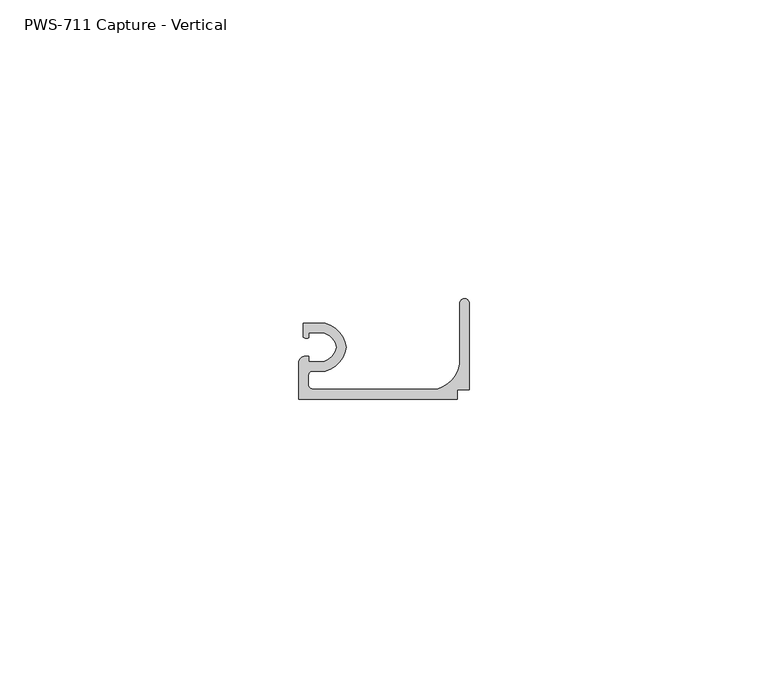
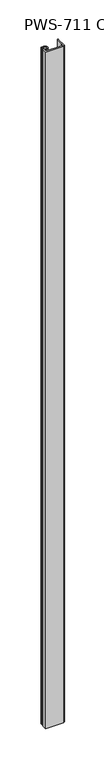
"""IFC4 building model written with IfcOpenShell, lengths in millimetres: proxy geometry, PWS-711 Capture - Vertical."""

from ifc_helpers import new_model, si_unit, point, frame_2d, origin, origin_with_axes, place, context, project, spatial, polyline, circle_curve, trimmed, segment, composite_curve, outline, extrude, source, transform, mapped, element, save


def pws_711_capture_vertical_3d673ead(model_context):
    return source(origin(), model_context, "Body", "SweptSolid", [
        extrude(outline(composite_curve([segment(trimmed(circle_curve(frame_2d((3.2089841, -42.7315673)), 3.2037832), [point((6.35, -42.1005))], [point((4.207924, -39.6875))], True, "CARTESIAN"), True, "CONTINUOUS"), segment(polyline([(4.207924, -39.6875), (1.6997088, -39.6875), (1.6997088, -40.5340531)]), True, "CONTINUOUS"), segment(trimmed(circle_curve(frame_2d((1.3351034, -39.4755121)), 1.1195742), [point((1.6997088, -40.5340531))], [point((0.762, -40.4372806))], False, "CARTESIAN"), True, "CONTINUOUS"), segment(polyline([(0.762, -40.4372806), (0.762, -38.1), (4.4357599, -38.1)]), True, "CONTINUOUS"), segment(trimmed(circle_curve(frame_2d((3.2089841, -42.7315673)), 4.7912832), [point((4.4357599, -38.1))], [point((7.9585261, -42.1005))], False, "CARTESIAN"), True, "CONTINUOUS"), segment(trimmed(circle_curve(frame_2d((3.2089841, -41.4694327)), 4.7912832), [point((7.9585261, -42.1005))], [point((4.4357599, -46.101))], False, "CARTESIAN"), True, "CONTINUOUS"), segment(polyline([(4.4357599, -46.101), (2.38252, -46.101)]), True, "CONTINUOUS"), segment(trimmed(circle_curve(frame_2d((2.38252, -46.89602)), 0.79502), [point((2.38252, -46.101))], [point((1.5875, -46.89602))], True, "CARTESIAN"), True, "CONTINUOUS"), segment(polyline([(1.5875, -46.89602), (1.5875, -48.3102252)]), True, "CONTINUOUS"), segment(trimmed(circle_curve(frame_2d((2.38252, -48.3102252)), 0.79502), [point((1.5875, -48.3102252))], [point((2.38252, -49.1052452))], True, "CARTESIAN"), True, "CONTINUOUS"), segment(polyline([(2.38252, -49.1052452), (23.2016903, -49.1052452)]), True, "CONTINUOUS"), segment(trimmed(circle_curve(frame_2d((21.7797652, -44.0047652)), 5.2949756), [point((23.2016903, -49.1052452))], [point((26.9875, -44.9619826))], True, "CARTESIAN"), True, "CONTINUOUS"), segment(polyline([(26.9875, -44.9619826), (26.9875, -34.76625)]), True, "CONTINUOUS"), segment(trimmed(circle_curve(frame_2d((27.78125, -34.76625)), 0.79375), [point((26.9875, -34.76625))], [point((28.575, -34.76625))], False, "CARTESIAN"), True, "CONTINUOUS"), segment(polyline([(28.575, -34.76625), (28.575, -49.2125), (26.543, -49.2125), (26.543, -50.8), (0.0, -50.8), (0.0, -44.7430936)]), True, "CONTINUOUS"), segment(trimmed(circle_curve(frame_2d((1.1429206, -44.7430936)), 1.1429206), [point((0.0, -44.7430936))], [point((0.9083659, -43.6245))], False, "CARTESIAN"), True, "CONTINUOUS"), segment(polyline([(0.9083659, -43.6245), (1.6997088, -43.6245), (1.6997088, -44.5135), (4.207924, -44.5135)]), True, "CONTINUOUS"), segment(trimmed(circle_curve(frame_2d((3.2089841, -41.4694327)), 3.2037832), [point((4.207924, -44.5135))], [point((6.35, -42.1005))], True, "CARTESIAN"), True, "CONTINUOUS")], self_intersect=False)), origin_with_axes(), (0.0, 0.0, 1.0), 1053.6039062),
    ])


if __name__ == "__main__":
    model = new_model("IFC4")
    model_context = context("Model", 3, world=origin())
    ifc_project = project(units=[si_unit("LENGTHUNIT", "METRE", prefix="MILLI")], contexts=[model_context])
    site = spatial("IfcSite", under=ifc_project)
    building = spatial("IfcBuilding", under=site)
    placement = place(None, origin())
    pws_711_capture_vertical_shape = pws_711_capture_vertical_3d673ead(model_context)
    element("IfcBuildingElementProxy", 1, Name="PWS-711 Capture - Vertical", ObjectType="PWS-711 Capture - Vertical", at=placement, inside=building, context=model_context, shape_type="MappedRepresentation", body=[
        mapped(pws_711_capture_vertical_shape, transform((0.0, 0.0, 0.0), x_axis=(1.0, 0.0, 0.0), y_axis=(0.0, 1.0, 0.0), z_axis=(0.0, 0.0, 1.0))),
    ])
    save(model, "model.ifc")
